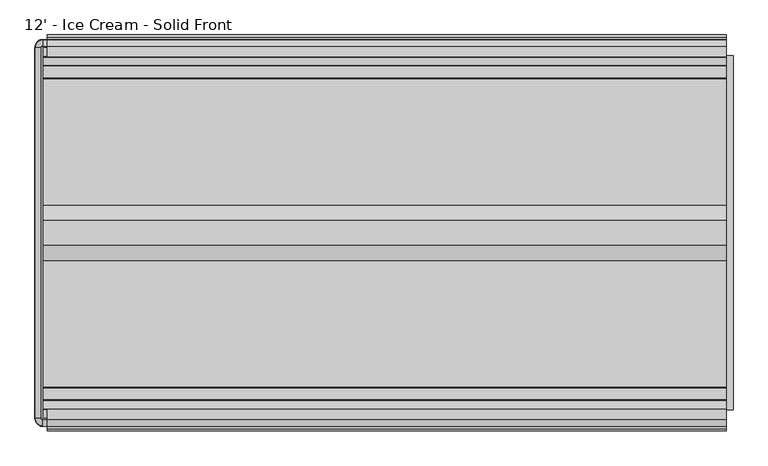
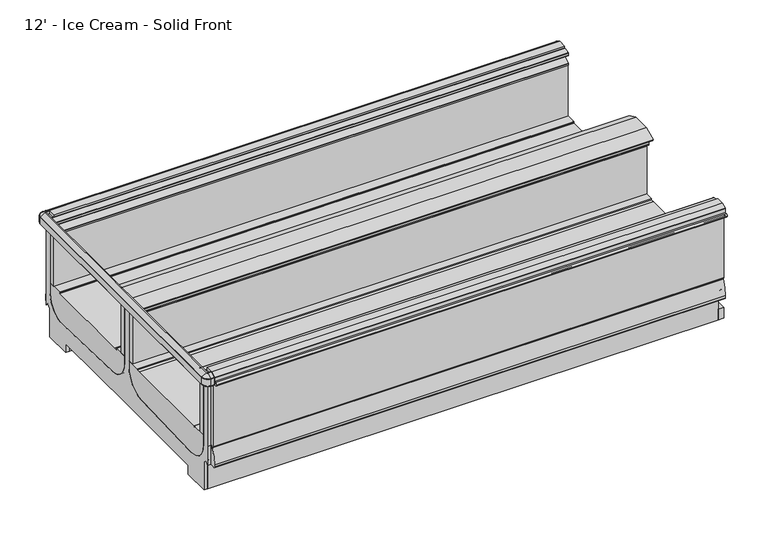
"""IFC4 building model written with IfcOpenShell, lengths in millimetres: proxy geometry, 12' - Ice Cream - Solid Front."""

from ifc_helpers import new_model, si_unit, point, frame, frame_2d, origin, origin_with_axes, place, context, project, spatial, polyline, circle_curve, ellipse_curve, trimmed, segment, composite_curve, outline, extrude, source, transform, mapped, element, save
from ifc_brep_helpers import plane_surface, cylinder_surface, revolved_surface, advanced_brep


def proxy_12_ice_cream_solid_front_a34ceeb4(model_context):
    return source(origin(), model_context, "Body", "SolidModel", [
        extrude(outline(polyline([(-2377.8829734, 0.0), (-2409.6329734, 0.0), (-2409.6329734, 218.5762254), (-2377.8829734, 192.0044611), (-2377.8829734, 0.0)])), frame((0.0, 0.0, 0.0), z_axis=(1.0, 0.0, 0.0), x_axis=(0.0, 1.0, 0.0)), (0.0, 0.0, 1.0), 3657.6),
        extrude(outline(polyline([(3594.1, -582.4839273), (3370.4400723, -582.4839273), (3370.4400723, -531.6839273), (3594.1, -531.6839273), (3594.1, -582.4839273)])), frame((0.0, 0.0, -6.35), z_axis=(0.0, 0.0, 1.0), x_axis=(1.0, 0.0, 0.0)), (0.0, 0.0, 1.0), 6.35),
        extrude(outline(composite_curve([segment(trimmed(circle_curve(frame_2d((3454.4, -557.0839273)), 15.875), [point((3438.525, -557.0839273))], [point((3470.275, -557.0839273))], False, "CARTESIAN"), True, "CONTINUOUS"), segment(trimmed(circle_curve(frame_2d((3454.4, -557.0839273)), 15.875), [point((3470.275, -557.0839273))], [point((3438.525, -557.0839273))], False, "CARTESIAN"), True, "CONTINUOUS")], self_intersect=False)), frame((0.0, 0.0, -6.35), z_axis=(0.0, 0.0, 1.0), x_axis=(1.0, 0.0, 0.0)), (0.0, 0.0, 1.0), 6.35),
        extrude(outline(composite_curve([segment(trimmed(circle_curve(frame_2d((3505.2, -557.0839273)), 15.875), [point((3489.325, -557.0839273))], [point((3521.075, -557.0839273))], False, "CARTESIAN"), True, "CONTINUOUS"), segment(trimmed(circle_curve(frame_2d((3505.2, -557.0839273)), 15.875), [point((3521.075, -557.0839273))], [point((3489.325, -557.0839273))], False, "CARTESIAN"), True, "CONTINUOUS")], self_intersect=False)), frame((0.0, 0.0, -6.35), z_axis=(0.0, 0.0, 1.0), x_axis=(1.0, 0.0, 0.0)), (0.0, 0.0, 1.0), 6.35),
        extrude(outline(composite_curve([segment(trimmed(circle_curve(frame_2d((3556.0, -557.0839273)), 15.875), [point((3540.125, -557.0839273))], [point((3571.875, -557.0839273))], False, "CARTESIAN"), True, "CONTINUOUS"), segment(trimmed(circle_curve(frame_2d((3556.0, -557.0839273)), 15.875), [point((3571.875, -557.0839273))], [point((3540.125, -557.0839273))], False, "CARTESIAN"), True, "CONTINUOUS")], self_intersect=False)), frame((0.0, 0.0, -6.35), z_axis=(0.0, 0.0, 1.0), x_axis=(1.0, 0.0, 0.0)), (0.0, 0.0, 1.0), 6.35),
        extrude(outline(composite_curve([segment(trimmed(circle_curve(frame_2d((3403.6, -557.0839273)), 15.875), [point((3387.725, -557.0839273))], [point((3419.475, -557.0839273))], False, "CARTESIAN"), True, "CONTINUOUS"), segment(trimmed(circle_curve(frame_2d((3403.6, -557.0839273)), 15.875), [point((3419.475, -557.0839273))], [point((3387.725, -557.0839273))], False, "CARTESIAN"), True, "CONTINUOUS")], self_intersect=False)), frame((0.0, 0.0, -6.35), z_axis=(0.0, 0.0, 1.0), x_axis=(1.0, 0.0, 0.0)), (0.0, 0.0, 1.0), 6.35),
        extrude(outline(composite_curve([segment(trimmed(circle_curve(frame_2d((203.2, -2350.9589273)), 15.875), [point((219.075, -2350.9589273))], [point((187.325, -2350.9589273))], False, "CARTESIAN"), True, "CONTINUOUS"), segment(trimmed(circle_curve(frame_2d((203.2, -2350.9589273)), 15.875), [point((187.325, -2350.9589273))], [point((219.075, -2350.9589273))], False, "CARTESIAN"), True, "CONTINUOUS")], self_intersect=False)), frame((0.0, 0.0, -6.35), z_axis=(0.0, 0.0, 1.0), x_axis=(1.0, 0.0, 0.0)), (0.0, 0.0, 1.0), 6.35),
        extrude(outline(composite_curve([segment(trimmed(circle_curve(frame_2d((152.4, -2350.9589273)), 15.875), [point((168.275, -2350.9589273))], [point((136.525, -2350.9589273))], False, "CARTESIAN"), True, "CONTINUOUS"), segment(trimmed(circle_curve(frame_2d((152.4, -2350.9589273)), 15.875), [point((136.525, -2350.9589273))], [point((168.275, -2350.9589273))], False, "CARTESIAN"), True, "CONTINUOUS")], self_intersect=False)), frame((0.0, 0.0, -6.35), z_axis=(0.0, 0.0, 1.0), x_axis=(1.0, 0.0, 0.0)), (0.0, 0.0, 1.0), 6.35),
        extrude(outline(composite_curve([segment(trimmed(circle_curve(frame_2d((254.0, -2350.9589273)), 15.875), [point((269.875, -2350.9589273))], [point((238.125, -2350.9589273))], False, "CARTESIAN"), True, "CONTINUOUS"), segment(trimmed(circle_curve(frame_2d((254.0, -2350.9589273)), 15.875), [point((238.125, -2350.9589273))], [point((269.875, -2350.9589273))], False, "CARTESIAN"), True, "CONTINUOUS")], self_intersect=False)), frame((0.0, 0.0, -6.35), z_axis=(0.0, 0.0, 1.0), x_axis=(1.0, 0.0, 0.0)), (0.0, 0.0, 1.0), 6.35),
        extrude(outline(composite_curve([segment(trimmed(circle_curve(frame_2d((101.6, -2350.9589273)), 15.875), [point((117.475, -2350.9589273))], [point((85.725, -2350.9589273))], False, "CARTESIAN"), True, "CONTINUOUS"), segment(trimmed(circle_curve(frame_2d((101.6, -2350.9589273)), 15.875), [point((85.725, -2350.9589273))], [point((117.475, -2350.9589273))], False, "CARTESIAN"), True, "CONTINUOUS")], self_intersect=False)), frame((0.0, 0.0, -6.35), z_axis=(0.0, 0.0, 1.0), x_axis=(1.0, 0.0, 0.0)), (0.0, 0.0, 1.0), 6.35),
        extrude(outline(polyline([(69.85, -2325.5589273), (289.1439539, -2325.5589273), (289.1439539, -2376.3589273), (69.85, -2376.3589273), (69.85, -2325.5589273)])), frame((0.0, 0.0, -6.35), z_axis=(0.0, 0.0, 1.0), x_axis=(1.0, 0.0, 0.0)), (0.0, 0.0, 1.0), 6.35),
        extrude(outline(composite_curve([segment(polyline([(-445.8191812, 916.3995638), (-411.9355812, 896.8368583)]), True, "CONTINUOUS"), segment(trimmed(circle_curve(frame_2d((-412.9769812, 895.0331005)), 2.0828), [point((-411.9355812, 896.8368583))], [point((-410.8941812, 895.0331005))], False, "CARTESIAN"), True, "CONTINUOUS"), segment(polyline([(-410.8941812, 895.0331005), (-410.8941812, 842.2823638)]), True, "CONTINUOUS"), segment(trimmed(circle_curve(frame_2d((-412.9769812, 842.2823638)), 2.0828), [point((-410.8941812, 842.2823638))], [point((-412.9769812, 840.1995638))], False, "CARTESIAN"), True, "CONTINUOUS"), segment(polyline([(-412.9769812, 840.1995638), (-453.2686576, 840.1995638), (-453.2686576, 896.9698692), (-502.6537801, 896.9698692), (-502.6537801, 916.3995638), (-445.8191812, 916.3995638)]), True, "CONTINUOUS")], self_intersect=False)), frame((0.0, 0.0, 0.0), z_axis=(1.0, 0.0, 0.0), x_axis=(0.0, 1.0, 0.0)), (0.0, 0.0, 1.0), 3657.6),
        extrude(outline(composite_curve([segment(polyline([(-2462.2236734, 916.3995638), (-2405.3883698, 916.3995638), (-2405.3883698, 896.9698692), (-2454.774197, 896.9698692), (-2454.774197, 840.1995638), (-2495.0658734, 840.1995638)]), True, "CONTINUOUS"), segment(trimmed(circle_curve(frame_2d((-2495.0658734, 842.2823638)), 2.0828), [point((-2495.0658734, 840.1995638))], [point((-2497.1486734, 842.2823638))], False, "CARTESIAN"), True, "CONTINUOUS"), segment(polyline([(-2497.1486734, 842.2823638), (-2497.1486734, 895.0331005)]), True, "CONTINUOUS"), segment(trimmed(circle_curve(frame_2d((-2495.0658734, 895.0331005)), 2.0828), [point((-2497.1486734, 895.0331005))], [point((-2496.1072734, 896.8368583))], False, "CARTESIAN"), True, "CONTINUOUS"), segment(polyline([(-2496.1072734, 896.8368583), (-2462.2236734, 916.3995638)]), True, "CONTINUOUS")], self_intersect=False)), frame((0.0, 0.0, 0.0), z_axis=(1.0, 0.0, 0.0), x_axis=(0.0, 1.0, 0.0)), (0.0, 0.0, 1.0), 3657.6),
        extrude(outline(polyline([(3695.7, -498.4098812), (3695.7, -2409.6329734), (3657.6, -2409.6329734), (3657.6, -498.4098812), (3695.7, -498.4098812)])), origin_with_axes(), (0.0, 0.0, 1.0), 80.0346764),
        extrude(outline(composite_curve([segment(polyline([(-2454.774197, 212.6925638), (-2484.436449, 212.6925638), (-2484.436449, 210.1525638), (-2489.3644531, 210.1525638)]), True, "CONTINUOUS"), segment(trimmed(circle_curve(frame_2d((-2489.3644531, 218.3404259)), 8.1878621), [point((-2489.3644531, 210.1525638))], [point((-2497.5523152, 218.3404259))], False, "CARTESIAN"), True, "CONTINUOUS"), segment(polyline([(-2497.5523152, 218.3404259), (-2497.5523152, 235.3283913)]), True, "CONTINUOUS"), segment(trimmed(circle_curve(frame_2d((-2218.2798369, 226.8878416)), 279.4), [point((-2497.5523152, 235.3283913))], [point((-2470.719945, 346.6306987))], False, "CARTESIAN"), True, "CONTINUOUS"), segment(trimmed(circle_curve(frame_2d((-2459.2453946, 341.1878416)), 12.7), [point((-2470.719945, 346.6306987))], [point((-2459.036449, 353.8861226))], False, "CARTESIAN"), True, "CONTINUOUS"), segment(polyline([(-2459.036449, 353.8861226), (-2459.036449, 358.1075638), (-2454.774197, 358.1075638), (-2454.774197, 212.6925638)]), True, "CONTINUOUS")], self_intersect=False)), frame((0.0, 0.0, 0.0), z_axis=(1.0, 0.0, 0.0), x_axis=(0.0, 1.0, 0.0)), (0.0, 0.0, 1.0), 3657.6),
        extrude(outline(composite_curve([segment(polyline([(-453.2686576, 212.6925638), (-453.2686576, 358.1075638), (-449.0064056, 358.1075638), (-449.0064056, 353.8878416), (-439.8158479, 353.8878416)]), True, "CONTINUOUS"), segment(trimmed(circle_curve(frame_2d((-439.8158479, 341.1878416)), 12.7), [point((-439.8158479, 353.8878416))], [point((-428.3412975, 346.6306987))], False, "CARTESIAN"), True, "CONTINUOUS"), segment(trimmed(circle_curve(frame_2d((-680.7814056, 226.8878416)), 279.4), [point((-428.3412975, 346.6306987))], [point((-401.5089273, 235.3283913))], False, "CARTESIAN"), True, "CONTINUOUS"), segment(polyline([(-401.5089273, 235.3283913), (-401.5089273, 218.3404259)]), True, "CONTINUOUS"), segment(trimmed(circle_curve(frame_2d((-409.6967894, 218.3404259)), 8.1878621), [point((-401.5089273, 218.3404259))], [point((-409.6967894, 210.1525638))], False, "CARTESIAN"), True, "CONTINUOUS"), segment(polyline([(-409.6967894, 210.1525638), (-423.6064056, 210.1525638), (-423.6064056, 212.6925638), (-453.2686576, 212.6925638)]), True, "CONTINUOUS")], self_intersect=False)), frame((0.0, 0.0, 0.0), z_axis=(1.0, 0.0, 0.0), x_axis=(0.0, 1.0, 0.0)), (0.0, 0.0, 1.0), 3657.6),
        advanced_brep(
        [(-24.4402697, -2454.774197, 897.0258043), (-24.4402697, -2405.4351648, 897.0258043), (-24.4402697, -2405.4351648, 329.8307252), (-24.4402697, -2245.5061532, 189.514106), (-24.4402697, -1631.4536419, 211.922149), (-24.4402697, -1480.7855206, 364.3123081), (-24.4402697, -1480.7848159, 866.4774073), (-24.4402697, -1427.2580387, 866.4774073), (-24.4402697, -1427.2580387, 364.3123081), (-24.4402697, -1276.5892127, 211.922149), (-24.4402697, -662.5367014, 189.514106), (-24.4402697, -502.6076898, 329.8307252), (-24.4402697, -502.6076898, 413.6025156), (-24.4402697, -502.6076898, 897.0258043), (-24.4402697, -453.2686576, 897.0258043), (-24.4402697, -453.2686576, 358.1075638), (-24.4402697, -453.2686576, 212.7617767), (-24.4402697, -472.9537484, 236.2215544), (-24.4402697, -498.4098812, 214.8613228), (-24.4402697, -498.4098812, 0.0), (-24.4402697, -694.8002747, 0.0), (-24.4402697, -694.8001069, 67.8833987), (-24.4402697, -1454.0214273, 67.8834387), (-24.4402697, -2213.2427477, 67.8833987), (-24.4402697, -2213.2425799, 0.0), (-24.4402697, -2409.6329734, 0.0), (-24.4402697, -2409.6329734, 214.8613228), (-24.4402697, -2435.0891062, 236.2215544), (-24.4402697, -2454.774197, 212.7617767), (-24.4402697, -2454.774197, 358.1075638), (0.0, -2454.774197, 897.0258043), (0.0, -2454.774197, 358.1075638), (0.0, -2454.774197, 212.7617767), (0.0, -2435.0891062, 236.2215544), (0.0, -2409.6329734, 214.8613228), (0.0, -2409.6329734, 0.0), (0.0, -2213.2425799, 0.0), (0.0, -2213.2427477, 67.8833987), (0.0, -1454.0214273, 67.8834387), (0.0, -694.8001069, 67.8833987), (0.0, -694.8002747, 0.0), (0.0, -498.4098812, 0.0), (0.0, -498.4098812, 214.8613228), (0.0, -472.9537484, 236.2215544), (0.0, -453.2686576, 212.7617767), (0.0, -453.2686576, 358.1075638), (0.0, -453.2686576, 897.0258043), (0.0, -502.6076898, 897.0258043), (0.0, -502.6076898, 413.6025156), (0.0, -502.6076898, 329.8307252), (0.0, -662.5367014, 189.514106), (0.0, -1276.5892127, 211.922149), (0.0, -1427.257334, 364.3123081), (0.0, -1427.2580387, 866.4774073), (0.0, -1480.7848159, 866.4774073), (0.0, -1480.7848159, 364.3123081), (0.0, -1631.4536419, 211.922149), (0.0, -2245.5061532, 189.514106), (0.0, -2405.4351648, 329.8307252), (0.0, -2405.4351648, 897.0258043)],
        [
            (0, 1),
            (1, 2),
            (2, 3, circle_curve(frame((-24.4402697, -2254.7995855, 340.2213556), z_axis=(1.0, 0.0, 0.0), x_axis=(0.0, 1.0, 0.0)), 150.9935196)),
            (3, 4, circle_curve(frame((-24.4402697, -1492.4045203, -12023.1831731), z_axis=(-1.0, 0.0, 0.0), x_axis=(0.0, 1.0, 0.0)), 12235.8954271)),
            (4, 5, circle_curve(frame((-24.4402697, -1633.1855206, 364.3123081), z_axis=(1.0, 0.0, 0.0), x_axis=(0.0, 1.0, 0.0)), 152.4)),
            (5, 6),
            (6, 7),
            (7, 8),
            (8, 9, circle_curve(frame((-24.4402697, -1274.857334, 364.3123081), z_axis=(1.0, 0.0, 0.0), x_axis=(0.0, 1.0, 0.0)), 152.4)),
            (9, 10, circle_curve(frame((-24.4402697, -1415.6383343, -12023.1831731), z_axis=(-1.0, 0.0, 0.0), x_axis=(0.0, 1.0, 0.0)), 12235.8954271)),
            (10, 11, circle_curve(frame((-24.4402697, -653.2432691, 340.2213556), z_axis=(1.0, 0.0, 0.0), x_axis=(0.0, 1.0, 0.0)), 150.9935196)),
            (11, 12),
            (12, 13),
            (13, 14),
            (14, 15),
            (15, 16),
            (16, 17),
            (17, 18),
            (18, 19),
            (19, 20),
            (20, 21),
            (21, 22),
            (22, 23),
            (23, 24),
            (24, 25),
            (25, 26),
            (26, 27),
            (27, 28),
            (28, 29),
            (29, 0),
            (30, 31),
            (31, 32),
            (32, 33),
            (33, 34),
            (34, 35),
            (35, 36),
            (36, 37),
            (37, 38),
            (38, 39),
            (39, 40),
            (40, 41),
            (41, 42),
            (42, 43),
            (43, 44),
            (44, 45),
            (45, 46),
            (46, 47),
            (47, 48),
            (48, 49),
            (49, 50, circle_curve(frame((0.0, -653.2432691, 340.2213556), z_axis=(-1.0, 0.0, 0.0), x_axis=(0.0, 1.0, 0.0)), 150.9935196)),
            (50, 51, circle_curve(frame((0.0, -1415.6383343, -12023.1831731), z_axis=(1.0, 0.0, 0.0), x_axis=(0.0, 1.0, 0.0)), 12235.8954271)),
            (51, 52, circle_curve(frame((0.0, -1274.857334, 364.3123081), z_axis=(-1.0, 0.0, 0.0), x_axis=(0.0, 1.0, 0.0)), 152.4)),
            (52, 53),
            (53, 54),
            (54, 55),
            (55, 56, circle_curve(frame((0.0, -1633.1855206, 364.3123081), z_axis=(-1.0, 0.0, 0.0), x_axis=(0.0, 1.0, 0.0)), 152.4)),
            (56, 57, circle_curve(frame((0.0, -1492.4045203, -12023.1831731), z_axis=(1.0, 0.0, 0.0), x_axis=(0.0, 1.0, 0.0)), 12235.8954271)),
            (57, 58, circle_curve(frame((0.0, -2254.7995855, 340.2213556), z_axis=(-1.0, 0.0, 0.0), x_axis=(0.0, 1.0, 0.0)), 150.9935196)),
            (58, 59),
            (59, 30),
            (59, 1),
            (0, 30),
            (29, 31),
            (28, 32),
            (45, 15),
            (14, 46),
            (13, 47),
            (42, 18),
            (17, 43),
            (16, 44),
            (27, 33),
            (26, 34),
            (12, 48),
            (11, 49),
            (10, 50),
            (9, 51),
            (8, 52),
            (7, 53),
            (6, 54),
            (5, 55),
            (4, 56),
            (3, 57),
            (2, 58),
            (25, 35),
            (24, 36),
            (23, 37),
            (22, 38),
            (21, 39),
            (20, 40),
            (19, 41),
        ],
        [
            plane_surface(frame((-24.4402697, -2454.774197, 358.1075638), z_axis=(-1.0, 0.0, 0.0), x_axis=(0.0, 0.0, 1.0))),
            plane_surface(frame((0.0, -2454.774197, 358.1075638), z_axis=(1.0, 0.0, 0.0), x_axis=(0.0, 0.0, -1.0))),
            plane_surface(frame((0.0, -2405.4351648, 897.0258043), z_axis=(0.0, 0.0, 1.0), x_axis=(-1.0, 0.0, 0.0))),
            plane_surface(frame((0.0, -2454.774197, 897.0258043), z_axis=(0.0, -1.0, 0.0), x_axis=(-1.0, 0.0, 0.0))),
            plane_surface(frame((0.0, -2454.774197, 358.1075638), z_axis=(0.0, -1.0, 0.0), x_axis=(-1.0, 0.0, 0.0))),
            plane_surface(frame((0.0, -453.2686576, 358.1075638), z_axis=(0.0, 1.0, 0.0), x_axis=(-1.0, 0.0, 0.0))),
            plane_surface(frame((0.0, -453.2686576, 897.0258043), z_axis=(0.0, 0.0, 1.0), x_axis=(-1.0, 0.0, 0.0))),
            plane_surface(frame((0.0, -498.4098812, 214.8613228), z_axis=(0.0, 0.6427876097064538, -0.7660444431022678), x_axis=(-1.0, 0.0, 0.0))),
            plane_surface(frame((0.0, -472.9537484, 236.2215544), z_axis=(0.0, -0.7660444431084633, -0.6427876096990705), x_axis=(-1.0, 0.0, 0.0))),
            plane_surface(frame((0.0, -453.2686576, 212.7617767), z_axis=(0.0, 1.0, 3.1216682375061996e-12), x_axis=(-1.0, 0.0, 0.0))),
            plane_surface(frame((0.0, -2454.774197, 212.7617767), z_axis=(0.0, 0.7660444431333294, -0.6427876096694362), x_axis=(-1.0, 0.0, 0.0))),
            plane_surface(frame((0.0, -2435.0891062, 236.2215544), z_axis=(0.0, -0.6427876097190367, -0.7660444430917096), x_axis=(-1.0, 0.0, 0.0))),
            plane_surface(frame((0.0, -502.6076898, 897.0258043), z_axis=(0.0, -1.0, 0.0), x_axis=(-1.0, 0.0, 0.0))),
            plane_surface(frame((0.0, -502.6076898, 413.6025156), z_axis=(0.0, -1.0, 0.0), x_axis=(-1.0, 0.0, 0.0))),
            revolved_surface(polyline([(-24.4402697, -502.2497495, 340.2213556), (0.0, -502.2497495, 340.2213556)]), (-24.4402697, -653.2432691, 340.2213556), (-1.0, 0.0, 0.0)),
            cylinder_surface(frame((-24.4402697, -1415.6383343, -12023.1831731), z_axis=(1.0, 0.0, 0.0), x_axis=(0.0, 1.0, 0.0)), 12235.8954271),
            revolved_surface(polyline([(-24.4402697, -1122.457334, 364.3123081), (0.0, -1122.457334, 364.3123081)]), (-24.4402697, -1274.857334, 364.3123081), (-1.0, 0.0, 0.0)),
            plane_surface(frame((0.0, -1427.2580387, 364.3123081), z_axis=(0.0, 1.0, 0.0), x_axis=(-1.0, 0.0, 0.0))),
            plane_surface(frame((0.0, -1427.2580387, 866.4774073), z_axis=(0.0, 0.0, 1.0), x_axis=(-1.0, 0.0, 0.0))),
            plane_surface(frame((0.0, -1480.7848159, 866.4774073), z_axis=(0.0, -1.0, 0.0), x_axis=(-1.0, 0.0, 0.0))),
            revolved_surface(polyline([(-24.4402697, -1480.7855206, 364.3123081), (0.0, -1480.7855206, 364.3123081)]), (-24.4402697, -1633.1855206, 364.3123081), (-1.0, 0.0, 0.0)),
            cylinder_surface(frame((-24.4402697, -1492.4045203, -12023.1831731), z_axis=(1.0, 0.0, 0.0), x_axis=(0.0, 1.0, 0.0)), 12235.8954271),
            revolved_surface(polyline([(-24.4402697, -2103.8060659, 340.2213556), (0.0, -2103.8060659, 340.2213556)]), (-24.4402697, -2254.7995855, 340.2213556), (-1.0, 0.0, 0.0)),
            plane_surface(frame((0.0, -2405.4351648, 329.8307252), z_axis=(0.0, 1.0, 0.0), x_axis=(-1.0, 0.0, 0.0))),
            plane_surface(frame((0.0, -2409.6329734, 214.8613228), z_axis=(0.0, -1.0, 0.0), x_axis=(-1.0, 0.0, 0.0))),
            plane_surface(frame((0.0, -2409.6329734, 0.0), z_axis=(0.0, 0.0, -1.0), x_axis=(-1.0, 0.0, 0.0))),
            plane_surface(frame((0.0, -2213.2425799, 0.0), z_axis=(0.0, 0.9999999999969436, 2.472444991820878e-06), x_axis=(-1.0, 0.0, 0.0))),
            plane_surface(frame((0.0, -2213.2427477, 67.8833987), z_axis=(0.0, 5.271826472873997e-08, -0.9999999999999987), x_axis=(-1.0, 0.0, 0.0))),
            plane_surface(frame((0.0, -1454.0214273, 67.8834387), z_axis=(0.0, -5.271826471759711e-08, -0.9999999999999987), x_axis=(-1.0, 0.0, 0.0))),
            plane_surface(frame((0.0, -694.8001069, 67.8833987), z_axis=(0.0, -0.9999999999969436, 2.472444991820454e-06), x_axis=(-1.0, 0.0, 0.0))),
            plane_surface(frame((0.0, -694.8002747, 0.0), z_axis=(0.0, 0.0, -1.0), x_axis=(-1.0, 0.0, 0.0))),
            plane_surface(frame((0.0, -498.4098812, 0.0), z_axis=(0.0, 1.0, 0.0), x_axis=(-1.0, 0.0, 0.0))),
        ],
        [
            (0, [[1, 2, 3, 4, 5, 6, 7, 8, 9, 10, 11, 12, 13, 14, 15, 16, 17, 18, 19, 20, 21, 22, 23, 24, 25, 26, 27, 28, 29, 30]]),
            (1, [[31, 32, 33, 34, 35, 36, 37, 38, 39, 40, 41, 42, 43, 44, 45, 46, 47, 48, 49, 50, 51, 52, 53, 54, 55, 56, 57, 58, 59, 60]]),
            (2, [[-60, 61, -1, 62]]),
            (3, [[-31, -62, -30, 63]]),
            (4, [[-32, -63, -29, 64]]),
            (5, [[-46, 65, -15, 66]]),
            (6, [[-47, -66, -14, 67]]),
            (7, [[-43, 68, -18, 69]]),
            (8, [[-44, -69, -17, 70]]),
            (9, [[-45, -70, -16, -65]]),
            (10, [[-33, -64, -28, 71]]),
            (11, [[-34, -71, -27, 72]]),
            (12, [[-48, -67, -13, 73]]),
            (13, [[-49, -73, -12, 74]]),
            (14, [[-50, -74, -11, 75]]),
            (15, [[-51, -75, -10, 76]]),
            (16, [[-52, -76, -9, 77]]),
            (17, [[-53, -77, -8, 78]]),
            (18, [[-54, -78, -7, 79]]),
            (19, [[-55, -79, -6, 80]]),
            (20, [[-56, -80, -5, 81]]),
            (21, [[-57, -81, -4, 82]]),
            (22, [[-58, -82, -3, 83]]),
            (23, [[-59, -83, -2, -61]]),
            (24, [[-35, -72, -26, 84]]),
            (25, [[-36, -84, -25, 85]]),
            (26, [[-37, -85, -24, 86]]),
            (27, [[-38, -86, -23, 87]]),
            (28, [[-39, -87, -22, 88]]),
            (29, [[-40, -88, -21, 89]]),
            (30, [[-41, -89, -20, 90]]),
            (31, [[-42, -90, -19, -68]]),
        ],
    ),
        extrude(outline(polyline([(-2247.3548736, 0.0), (-2409.6329734, 0.0), (-2409.6329734, 214.8613228), (-2435.0891062, 236.2215544), (-2454.774197, 212.7617767), (-2454.774197, 256.3551845), (-2304.8796168, 130.9075167), (-2247.3551153, 130.9023907), (-2247.3548736, 0.0)])), frame((0.0, 0.0, 0.0), z_axis=(1.0, 0.0, 0.0), x_axis=(0.0, 1.0, 0.0)), (0.0, 0.0, 1.0), 3657.6),
        extrude(outline(polyline([(-660.687981, 0.0), (-660.6877393, 130.9023907), (-603.1632378, 130.9075167), (-498.4098812, 218.5762254), (-498.4098812, 0.0), (-660.687981, 0.0)])), frame((0.0, 0.0, 0.0), z_axis=(1.0, 0.0, 0.0), x_axis=(0.0, 1.0, 0.0)), (0.0, 0.0, 1.0), 3657.6),
        extrude(outline(composite_curve([segment(polyline([(-453.2686576, 840.1995638), (-429.7663812, 840.1995638), (-429.7663812, 359.6315638)]), True, "CONTINUOUS"), segment(trimmed(circle_curve(frame_2d((-431.2903812, 359.6315638)), 1.524), [point((-429.7663812, 359.6315638))], [point((-431.2903812, 358.1075638))], False, "CARTESIAN"), True, "CONTINUOUS"), segment(polyline([(-431.2903812, 358.1075638), (-453.2686576, 358.1075638), (-453.2686576, 840.1995638)]), True, "CONTINUOUS")], self_intersect=False)), frame((0.0, 0.0, 0.0), z_axis=(1.0, 0.0, 0.0), x_axis=(0.0, 1.0, 0.0)), (0.0, 0.0, 1.0), 3657.6),
        extrude(outline(composite_curve([segment(polyline([(-2454.774197, 840.1995638), (-2454.774197, 358.1075638), (-2476.7524734, 358.1075638)]), True, "CONTINUOUS"), segment(trimmed(circle_curve(frame_2d((-2476.7524734, 359.6315638)), 1.524), [point((-2476.7524734, 358.1075638))], [point((-2478.2764734, 359.6315638))], False, "CARTESIAN"), True, "CONTINUOUS"), segment(polyline([(-2478.2764734, 359.6315638), (-2478.2764734, 840.1995638), (-2454.774197, 840.1995638)]), True, "CONTINUOUS")], self_intersect=False)), frame((0.0, 0.0, 0.0), z_axis=(1.0, 0.0, 0.0), x_axis=(0.0, 1.0, 0.0)), (0.0, 0.0, 1.0), 3657.6),
        extrude(outline(composite_curve([segment(polyline([(-2497.1486734, 866.4774073), (-2497.1486734, 841.0774073), (-2509.5631602, 841.0774073)]), True, "CONTINUOUS"), segment(trimmed(circle_curve(frame_2d((-2509.5631602, 853.7774073)), 12.7), [point((-2509.5631602, 841.0774073))], [point((-2522.2631602, 853.7774073))], False, "CARTESIAN"), True, "CONTINUOUS"), segment(trimmed(circle_curve(frame_2d((-2509.5631602, 853.7774073)), 12.7), [point((-2522.2631602, 853.7774073))], [point((-2509.5631602, 866.4774073))], False, "CARTESIAN"), True, "CONTINUOUS"), segment(polyline([(-2509.5631602, 866.4774073), (-2497.1486734, 866.4774073)]), True, "CONTINUOUS")], self_intersect=False)), frame((0.0, 0.0, 0.0), z_axis=(1.0, 0.0, 0.0), x_axis=(0.0, 1.0, 0.0)), (0.0, 0.0, 1.0), 3657.6),
        extrude(outline(composite_curve([segment(polyline([(-410.8941812, 866.4774073), (-398.4796944, 866.4774073)]), True, "CONTINUOUS"), segment(trimmed(circle_curve(frame_2d((-398.4796944, 853.7774073)), 12.7), [point((-398.4796944, 866.4774073))], [point((-385.7796944, 853.7774073))], False, "CARTESIAN"), True, "CONTINUOUS"), segment(trimmed(circle_curve(frame_2d((-398.4796944, 853.7774073)), 12.7), [point((-385.7796944, 853.7774073))], [point((-398.4796944, 841.0774073))], False, "CARTESIAN"), True, "CONTINUOUS"), segment(polyline([(-398.4796944, 841.0774073), (-410.8941812, 841.0774073), (-410.8941812, 866.4774073)]), True, "CONTINUOUS")], self_intersect=False)), frame((0.0, 0.0, 0.0), z_axis=(1.0, 0.0, 0.0), x_axis=(0.0, 1.0, 0.0)), (0.0, 0.0, 1.0), 3657.6),
        extrude(outline(polyline([(3657.6, -1527.311562), (3657.6, -1549.536562), (0.0, -1549.536562), (0.0, -1527.311562), (3657.6, -1527.311562)])), frame((0.0, 0.0, 802.4445616), z_axis=(0.0, 0.0, 1.0), x_axis=(1.0, 0.0, 0.0)), (0.0, 0.0, 1.0), 76.2),
        extrude(outline(polyline([(3657.6, -1358.5062926), (3657.6, -1380.7312926), (0.0, -1380.7312926), (0.0, -1358.5062926), (3657.6, -1358.5062926)])), frame((0.0, 0.0, 802.4445616), z_axis=(0.0, 0.0, 1.0), x_axis=(1.0, 0.0, 0.0)), (0.0, 0.0, 1.0), 76.2),
        extrude(outline(composite_curve([segment(polyline([(-1551.071886, 800.8570616), (-1551.071886, 808.7945616), (-1549.536562, 808.7945616), (-1549.536562, 802.4445616), (-1527.311562, 802.4445616), (-1527.311562, 866.3043859), (-1480.7848159, 866.3043859), (-1480.7848159, 415.2220813), (-1522.6087322, 415.2325275), (-1522.6087322, 775.2893206)]), True, "CONTINUOUS"), segment(trimmed(circle_curve(frame_2d((-1522.2729918, 776.2117598)), 0.9816393), [point((-1522.6087322, 775.2893206))], [point((-1523.2546312, 776.2117598))], False, "CARTESIAN"), True, "CONTINUOUS"), segment(polyline([(-1523.2546312, 776.2117598), (-1523.2546312, 800.8570616), (-1551.071886, 800.8570616)]), True, "CONTINUOUS")], self_intersect=False)), frame((-24.4402697, 0.0, 0.0), z_axis=(1.0, 0.0, 0.0), x_axis=(0.0, 1.0, 0.0)), (0.0, 0.0, 1.0), 3682.0402697),
        extrude(outline(composite_curve([segment(polyline([(-1356.9709686, 800.8570616), (-1384.7882234, 800.8570616), (-1384.7882234, 776.2117598)]), True, "CONTINUOUS"), segment(trimmed(circle_curve(frame_2d((-1385.7698628, 776.2117598)), 0.9816393), [point((-1384.7882234, 776.2117598))], [point((-1385.4341224, 775.2893206))], False, "CARTESIAN"), True, "CONTINUOUS"), segment(polyline([(-1385.4341224, 775.2893206), (-1385.4341224, 415.2325275), (-1427.2580387, 415.2220813), (-1427.2580387, 866.3043859), (-1380.7312926, 866.3043859), (-1380.7312926, 802.4445616), (-1358.5062926, 802.4445616), (-1358.5062926, 808.7945616), (-1356.9709686, 808.7945616), (-1356.9709686, 800.8570616)]), True, "CONTINUOUS")], self_intersect=False)), frame((-24.4402697, 0.0, 0.0), z_axis=(1.0, 0.0, 0.0), x_axis=(0.0, 1.0, 0.0)), (0.0, 0.0, 1.0), 3682.0402697),
        extrude(outline(polyline([(-1387.836481, 914.8138293), (-1305.5925722, 875.4929407), (-1309.5700998, 864.574991), (-1312.0395874, 864.7344073), (-1358.5062926, 864.7344073), (-1358.5062926, 878.6445616), (-1380.7312926, 878.6445616), (-1380.7312926, 866.3043859), (-1527.311562, 866.3043859), (-1527.311562, 878.6445616), (-1549.536562, 878.6445616), (-1549.536562, 864.7344073), (-1596.0032672, 864.7344073), (-1598.4727548, 864.574991), (-1602.4502824, 875.4929407), (-1520.2063736, 914.8138293), (-1387.836481, 914.8138293)])), frame((-24.4402697, 0.0, 0.0), z_axis=(1.0, 0.0, 0.0), x_axis=(0.0, 1.0, 0.0)), (0.0, 0.0, 1.0), 3682.0402697),
        extrude(outline(composite_curve([segment(polyline([(-502.6076898, 413.6025156), (-547.7105983, 413.6025156), (-547.7105983, 799.5951356), (-549.2980983, 799.5951356), (-552.5851001, 811.8623936)]), True, "CONTINUOUS"), segment(trimmed(circle_curve(frame_2d((-550.6959424, 812.3685918)), 1.9558), [point((-552.5851001, 811.8623936))], [point((-551.6738424, 814.0623643))], False, "CARTESIAN"), True, "CONTINUOUS"), segment(polyline([(-551.6738424, 814.0623643), (-507.7817983, 839.4034478)]), True, "CONTINUOUS"), segment(trimmed(circle_curve(frame_2d((-506.8038983, 837.7096753)), 1.9558), [point((-507.7817983, 839.4034478))], [point((-504.8480983, 837.7096753))], False, "CARTESIAN"), True, "CONTINUOUS"), segment(polyline([(-504.8480983, 837.7096753), (-504.8480983, 846.7803598)]), True, "CONTINUOUS"), segment(trimmed(circle_curve(frame_2d((-505.6354983, 846.7803598)), 0.7874), [point((-504.8480983, 846.7803598))], [point((-505.2464442, 847.4649295))], True, "CARTESIAN"), True, "CONTINUOUS"), segment(polyline([(-505.2464442, 847.4649295), (-550.9785754, 873.4553778)]), True, "CONTINUOUS"), segment(trimmed(circle_curve(frame_2d((-550.2255675, 874.7803514)), 1.524), [point((-550.9785754, 873.4553778))], [point((-551.7495675, 874.7803514))], False, "CARTESIAN"), True, "CONTINUOUS"), segment(polyline([(-551.7495675, 874.7803514), (-551.7495675, 892.7114623)]), True, "CONTINUOUS"), segment(trimmed(circle_curve(frame_2d((-550.2255675, 892.7114623)), 1.524), [point((-551.7495675, 892.7114623))], [point((-550.4902073, 894.2123093))], False, "CARTESIAN"), True, "CONTINUOUS"), segment(polyline([(-550.4902073, 894.2123093), (-505.4987677, 902.1455141), (-502.6076898, 902.1455141), (-502.6076898, 413.6025156)]), True, "CONTINUOUS")], self_intersect=False)), frame((-24.4402697, 0.0, 0.0), z_axis=(1.0, 0.0, 0.0), x_axis=(0.0, 1.0, 0.0)), (0.0, 0.0, 1.0), 3682.0402697),
        extrude(outline(composite_curve([segment(polyline([(-2405.4351648, 413.6025156), (-2405.4351648, 902.1455141), (-2402.5440869, 902.1455141), (-2357.5526473, 894.2123093)]), True, "CONTINUOUS"), segment(trimmed(circle_curve(frame_2d((-2357.8172871, 892.7114623)), 1.524), [point((-2357.5526473, 894.2123093))], [point((-2356.2932871, 892.7114623))], False, "CARTESIAN"), True, "CONTINUOUS"), segment(polyline([(-2356.2932871, 892.7114623), (-2356.2932871, 874.7803514)]), True, "CONTINUOUS"), segment(trimmed(circle_curve(frame_2d((-2357.8172871, 874.7803514)), 1.524), [point((-2356.2932871, 874.7803514))], [point((-2357.0642791, 873.4553778))], False, "CARTESIAN"), True, "CONTINUOUS"), segment(polyline([(-2357.0642791, 873.4553778), (-2402.7964104, 847.4649295)]), True, "CONTINUOUS"), segment(trimmed(circle_curve(frame_2d((-2402.4073563, 846.7803598)), 0.7874), [point((-2402.7964104, 847.4649295))], [point((-2403.1947563, 846.7803598))], True, "CARTESIAN"), True, "CONTINUOUS"), segment(polyline([(-2403.1947563, 846.7803598), (-2403.1947563, 837.7096753)]), True, "CONTINUOUS"), segment(trimmed(circle_curve(frame_2d((-2401.2389563, 837.7096753)), 1.9558), [point((-2403.1947563, 837.7096753))], [point((-2400.2610563, 839.4034478))], False, "CARTESIAN"), True, "CONTINUOUS"), segment(polyline([(-2400.2610563, 839.4034478), (-2356.3690122, 814.0623643)]), True, "CONTINUOUS"), segment(trimmed(circle_curve(frame_2d((-2357.3469122, 812.3685918)), 1.9558), [point((-2356.3690122, 814.0623643))], [point((-2355.4577545, 811.8623936))], False, "CARTESIAN"), True, "CONTINUOUS"), segment(polyline([(-2355.4577545, 811.8623936), (-2358.7447563, 799.5951356), (-2360.3322563, 799.5951356), (-2360.3322563, 413.6025156), (-2405.4351648, 413.6025156)]), True, "CONTINUOUS")], self_intersect=False)), frame((-24.4402697, 0.0, 0.0), z_axis=(1.0, 0.0, 0.0), x_axis=(0.0, 1.0, 0.0)), (0.0, 0.0, 1.0), 3682.0402697),
        extrude(outline(composite_curve([segment(trimmed(circle_curve(frame_2d((-653.2432691, 340.2213556)), 150.9935196), [point((-502.6076898, 329.8307252))], [point((-662.5367014, 189.514106))], False, "CARTESIAN"), True, "CONTINUOUS"), segment(trimmed(circle_curve(frame_2d((-1415.6383343, -12023.1831731)), 12235.8954271), [point((-662.5367014, 189.514106))], [point((-1276.5892127, 211.922149))], True, "CARTESIAN"), True, "CONTINUOUS"), segment(trimmed(circle_curve(frame_2d((-1274.857334, 364.3123081)), 152.4), [point((-1276.5892127, 211.922149))], [point((-1427.257334, 364.3123081))], False, "CARTESIAN"), True, "CONTINUOUS"), segment(polyline([(-1427.257334, 364.3123081), (-1427.257334, 415.2220814), (-1327.4861855, 415.247001), (-1327.4836218, 404.9827495), (-1304.411668, 404.9827495), (-621.5663814, 405.1887649)]), True, "CONTINUOUS"), segment(trimmed(circle_curve(frame_2d((-621.5666848, 406.1943748)), 1.0056099), [point((-621.5663814, 405.1887649))], [point((-620.5610749, 406.1943748))], True, "CARTESIAN"), True, "CONTINUOUS"), segment(polyline([(-620.5610749, 406.1943748), (-620.5610749, 410.7761577)]), True, "CONTINUOUS"), segment(trimmed(circle_curve(frame_2d((-617.734717, 410.7761577)), 2.8263579), [point((-620.5610749, 410.7761577))], [point((-617.734717, 413.6025156))], False, "CARTESIAN"), True, "CONTINUOUS"), segment(polyline([(-617.734717, 413.6025156), (-502.6076898, 413.6025156), (-502.6076898, 329.8307252)]), True, "CONTINUOUS")], self_intersect=False)), frame((-24.4402697, 0.0, 0.0), z_axis=(1.0, 0.0, 0.0), x_axis=(0.0, 1.0, 0.0)), (0.0, 0.0, 1.0), 3682.0402697),
        extrude(outline(composite_curve([segment(polyline([(-2405.4351648, 329.8307252), (-2405.4351648, 413.6025156), (-2290.3081376, 413.6025156)]), True, "CONTINUOUS"), segment(trimmed(circle_curve(frame_2d((-2290.3081376, 410.7761577)), 2.8263579), [point((-2290.3081376, 413.6025156))], [point((-2287.4817797, 410.7761577))], False, "CARTESIAN"), True, "CONTINUOUS"), segment(polyline([(-2287.4817797, 410.7761577), (-2287.4817797, 406.1943748)]), True, "CONTINUOUS"), segment(trimmed(circle_curve(frame_2d((-2286.4761698, 406.1943748)), 1.0056099), [point((-2287.4817797, 406.1943748))], [point((-2286.4764732, 405.1887649))], True, "CARTESIAN"), True, "CONTINUOUS"), segment(polyline([(-2286.4764732, 405.1887649), (-1603.6311866, 404.9827495), (-1580.5592328, 404.9827495), (-1580.5566691, 415.247001), (-1480.7855206, 415.2220814), (-1480.7855206, 364.3123081)]), True, "CONTINUOUS"), segment(trimmed(circle_curve(frame_2d((-1633.1855206, 364.3123081)), 152.4), [point((-1480.7855206, 364.3123081))], [point((-1631.4536419, 211.922149))], False, "CARTESIAN"), True, "CONTINUOUS"), segment(trimmed(circle_curve(frame_2d((-1492.4045203, -12023.1831731)), 12235.8954271), [point((-1631.4536419, 211.922149))], [point((-2245.5061532, 189.514106))], True, "CARTESIAN"), True, "CONTINUOUS"), segment(trimmed(circle_curve(frame_2d((-2254.7995855, 340.2213556)), 150.9935196), [point((-2245.5061532, 189.514106))], [point((-2405.4351648, 329.8307252))], False, "CARTESIAN"), True, "CONTINUOUS")], self_intersect=False)), frame((-24.4402697, 0.0, 0.0), z_axis=(1.0, 0.0, 0.0), x_axis=(0.0, 1.0, 0.0)), (0.0, 0.0, 1.0), 3682.0402697),
        extrude(outline(composite_curve([segment(polyline([(-453.2679529, 897.0258043), (-453.2679529, 256.3551845), (-603.1625331, 130.9075167), (-2304.8796168, 130.9075167), (-2454.774197, 256.3551845), (-2454.774197, 897.0258043), (-2405.4344601, 897.0258043), (-2405.4344601, 329.8307252)]), True, "CONTINUOUS"), segment(trimmed(circle_curve(frame_2d((-2254.7988808, 340.2213556)), 150.9935196), [point((-2405.4344601, 329.8307252))], [point((-2245.5054485, 189.514106))], True, "CARTESIAN"), True, "CONTINUOUS"), segment(trimmed(circle_curve(frame_2d((-1492.4038157, -12023.1831731)), 12235.8954271), [point((-2245.5054485, 189.514106))], [point((-1631.4529372, 211.922149))], False, "CARTESIAN"), True, "CONTINUOUS"), segment(trimmed(circle_curve(frame_2d((-1633.1848159, 364.3123081)), 152.4), [point((-1631.4529372, 211.922149))], [point((-1480.7848159, 364.3123081))], True, "CARTESIAN"), True, "CONTINUOUS"), segment(polyline([(-1480.7848159, 364.3123081), (-1480.7848159, 866.3043859), (-1427.257334, 866.3043859), (-1427.257334, 364.3123081)]), True, "CONTINUOUS"), segment(trimmed(circle_curve(frame_2d((-1274.857334, 364.3123081)), 152.4), [point((-1427.257334, 364.3123081))], [point((-1276.5892127, 211.922149))], True, "CARTESIAN"), True, "CONTINUOUS"), segment(trimmed(circle_curve(frame_2d((-1415.6383343, -12023.1831731)), 12235.8954271), [point((-1276.5892127, 211.922149))], [point((-662.5367014, 189.514106))], False, "CARTESIAN"), True, "CONTINUOUS"), segment(trimmed(circle_curve(frame_2d((-653.2432691, 340.2213556)), 150.9935196), [point((-662.5367014, 189.514106))], [point((-502.6076898, 329.8307252))], True, "CARTESIAN"), True, "CONTINUOUS"), segment(polyline([(-502.6076898, 329.8307252), (-502.6076898, 897.0258043), (-453.2679529, 897.0258043)]), True, "CONTINUOUS")], self_intersect=False)), frame((0.0, 0.0, 0.0), z_axis=(1.0, 0.0, 0.0), x_axis=(0.0, 1.0, 0.0)), (0.0, 0.0, 1.0), 3657.6),
        extrude(outline(polyline([(-660.687981, 0.0), (-694.8001491, 0.0), (-694.7998808, 108.5179371), (-2213.2429738, 108.517857), (-2213.2427055, 0.0), (-2247.3548736, 0.0), (-2247.3551153, 130.9023907), (-660.6877393, 130.9023907), (-660.687981, 0.0)])), frame((-24.4402697, 0.0, 0.0), z_axis=(1.0, 0.0, 0.0), x_axis=(0.0, 1.0, 0.0)), (0.0, 0.0, 1.0), 3682.0402697),
        advanced_brep(
        [(0.0, -2462.2236734, 916.3995638), (0.0, -2496.1072734, 896.8368583), (0.0, -2497.1486734, 895.0331005), (0.0, -2497.1486734, 842.2823638), (0.0, -2495.0658734, 840.1995638), (0.0, -2454.774197, 840.1995638), (0.0, -2454.774197, 916.3995638), (0.0, -445.8191812, 916.3995638), (0.0, -453.2686576, 916.3995638), (0.0, -453.2686576, 840.1995638), (0.0, -412.9769812, 840.1995638), (0.0, -410.8941812, 842.2823638), (0.0, -410.8941812, 895.0331005), (0.0, -411.9355812, 896.8368583), (-23.8125, -2462.2236734, 916.3995638), (-23.8125, -2496.1072734, 896.8368583), (-23.8125, -2497.1486734, 895.0331005), (-23.8125, -2497.1486734, 842.2823638), (-23.8125, -2495.0658734, 840.1995638), (-64.7319461, -2454.1464273, 840.1995638), (-64.7319461, -453.8964273, 840.1995638), (-23.8125, -412.9769812, 840.1995638), (-23.8125, -453.2686576, 840.1995638), (-24.4402697, -453.8964273, 840.1995638), (-24.4402697, -2454.1464273, 840.1995638), (-23.8125, -2454.774197, 840.1995638), (-23.8125, -2454.774197, 916.3995638), (-24.4402697, -2454.1464273, 916.3995638), (-24.4402697, -453.8964273, 916.3995638), (-23.8125, -453.2686576, 916.3995638), (-23.8125, -445.8191812, 916.3995638), (-31.8897461, -453.8964273, 916.3995638), (-31.8897461, -2454.1464273, 916.3995638), (-65.7733461, -2454.1464273, 896.8368583), (-66.8147461, -2454.1464273, 895.0331005), (-66.8147461, -2454.1464273, 842.2823638), (-65.7733461, -453.8964273, 896.8368583), (-66.8147461, -453.8964273, 895.0331005), (-66.8147461, -453.8964273, 842.2823638), (-23.8125, -411.9355812, 896.8368583), (-23.8125, -410.8941812, 895.0331005), (-23.8125, -410.8941812, 842.2823638)],
        [
            (0, 1),
            (1, 2, circle_curve(frame((0.0, -2495.0658734, 895.0331005), z_axis=(1.0, 0.0, 0.0), x_axis=(0.0, -1.0, 0.0)), 2.0828)),
            (2, 3),
            (3, 4, circle_curve(frame((0.0, -2495.0658734, 842.2823638), z_axis=(1.0, 0.0, 0.0), x_axis=(0.0, -1.0, 0.0)), 2.0828)),
            (4, 5),
            (5, 6),
            (6, 0),
            (7, 8),
            (8, 9),
            (9, 10),
            (10, 11, circle_curve(frame((0.0, -412.9769812, 842.2823638), z_axis=(1.0, 0.0, 0.0), x_axis=(0.0, 1.0, 0.0)), 2.0828)),
            (11, 12),
            (12, 13, circle_curve(frame((0.0, -412.9769812, 895.0331005), z_axis=(1.0, 0.0, 0.0), x_axis=(0.0, 1.0, 0.0)), 2.0828)),
            (13, 7),
            (0, 14),
            (14, 15),
            (15, 1),
            (15, 16, circle_curve(frame((-23.8125, -2495.0658734, 895.0331005), z_axis=(1.0, 0.0, 0.0), x_axis=(0.0, -1.0, 0.0)), 2.0828)),
            (16, 2),
            (16, 17),
            (17, 3),
            (17, 18, circle_curve(frame((-23.8125, -2495.0658734, 842.2823638), z_axis=(1.0, 0.0, 0.0), x_axis=(0.0, -1.0, 0.0)), 2.0828)),
            (18, 4),
            (18, 19, circle_curve(frame((-23.8125, -2454.1464273, 840.1995638), z_axis=(0.0, 0.0, -1.0), x_axis=(0.0, -1.0, 0.0)), 40.9194461)),
            (19, 20),
            (20, 21, circle_curve(frame((-23.8125, -453.8964273, 840.1995638), z_axis=(0.0, 0.0, -1.0), x_axis=(-1.0, 0.0, 0.0)), 40.9194461)),
            (21, 10),
            (9, 22),
            (22, 23, circle_curve(frame((-23.8125, -453.8964273, 840.1995638), z_axis=(0.0, 0.0, 1.0), x_axis=(-1.0, 0.0, 0.0)), 0.6277697)),
            (23, 24),
            (24, 25, circle_curve(frame((-23.8125, -2454.1464273, 840.1995638), z_axis=(0.0, 0.0, 1.0), x_axis=(0.0, -1.0, 0.0)), 0.6277697)),
            (25, 5),
            (25, 26),
            (26, 6),
            (26, 27, circle_curve(frame((-23.8125, -2454.1464273, 916.3995638), z_axis=(0.0, 0.0, -1.0), x_axis=(0.0, -1.0, 0.0)), 0.6277697)),
            (27, 28),
            (28, 29, circle_curve(frame((-23.8125, -453.8964273, 916.3995638), z_axis=(0.0, 0.0, -1.0), x_axis=(-1.0, 0.0, 0.0)), 0.6277697)),
            (29, 8),
            (7, 30),
            (30, 31, circle_curve(frame((-23.8125, -453.8964273, 916.3995638), z_axis=(0.0, 0.0, 1.0), x_axis=(-1.0, 0.0, 0.0)), 8.0772461)),
            (31, 32),
            (32, 14, circle_curve(frame((-23.8125, -2454.1464273, 916.3995638), z_axis=(0.0, 0.0, 1.0), x_axis=(0.0, -1.0, 0.0)), 8.0772461)),
            (33, 15, circle_curve(frame((-23.8125, -2454.1464273, 896.8368583), z_axis=(0.0, 0.0, 1.0), x_axis=(0.0, -1.0, 0.0)), 41.9608461)),
            (32, 33),
            (34, 16, circle_curve(frame((-23.8125, -2454.1464273, 895.0331005), z_axis=(0.0, 0.0, 1.0), x_axis=(0.0, -1.0, 0.0)), 43.0022461)),
            (33, 34, circle_curve(frame((-64.7319461, -2454.1464273, 895.0331005), z_axis=(0.0, -1.0, 0.0), x_axis=(-1.0, 0.0, 0.0)), 2.0828)),
            (35, 17, circle_curve(frame((-23.8125, -2454.1464273, 842.2823638), z_axis=(0.0, 0.0, 1.0), x_axis=(0.0, -1.0, 0.0)), 43.0022461)),
            (34, 35),
            (35, 19, circle_curve(frame((-64.7319461, -2454.1464273, 842.2823638), z_axis=(0.0, -1.0, 0.0), x_axis=(-1.0, 0.0, 0.0)), 2.0828)),
            (24, 27),
            (31, 36),
            (36, 33),
            (36, 37, circle_curve(frame((-64.7319461, -453.8964273, 895.0331005), z_axis=(0.0, -1.0, 0.0), x_axis=(-1.0, 0.0, 0.0)), 2.0828)),
            (37, 34),
            (37, 38),
            (38, 35),
            (38, 20, circle_curve(frame((-64.7319461, -453.8964273, 842.2823638), z_axis=(0.0, -1.0, 0.0), x_axis=(-1.0, 0.0, 0.0)), 2.0828)),
            (23, 28),
            (39, 36, circle_curve(frame((-23.8125, -453.8964273, 896.8368583), z_axis=(0.0, 0.0, 1.0), x_axis=(-1.0, 0.0, 0.0)), 41.9608461)),
            (30, 39),
            (40, 37, circle_curve(frame((-23.8125, -453.8964273, 895.0331005), z_axis=(0.0, 0.0, 1.0), x_axis=(-1.0, 0.0, 0.0)), 43.0022461)),
            (39, 40, circle_curve(frame((-23.8125, -412.9769812, 895.0331005), z_axis=(-1.0, 0.0, 0.0), x_axis=(0.0, 1.0, 0.0)), 2.0828)),
            (41, 38, circle_curve(frame((-23.8125, -453.8964273, 842.2823638), z_axis=(0.0, 0.0, 1.0), x_axis=(-1.0, 0.0, 0.0)), 43.0022461)),
            (40, 41),
            (41, 21, circle_curve(frame((-23.8125, -412.9769812, 842.2823638), z_axis=(-1.0, 0.0, 0.0), x_axis=(0.0, 1.0, 0.0)), 2.0828)),
            (22, 29),
            (13, 39),
            (12, 40),
            (11, 41),
        ],
        [
            plane_surface(frame((0.0, -2506.5339273, 1498.6), z_axis=(1.0, 0.0, 0.0), x_axis=(0.0, 0.0, 1.0))),
            plane_surface(frame((0.0, -401.5089273, 1498.6), z_axis=(1.0, 0.0, 0.0), x_axis=(0.0, 0.0, 1.0))),
            plane_surface(frame((0.0, -2462.2236734, 916.3995638), z_axis=(0.0, -0.4999999999872431, 0.8660254037918039), x_axis=(-1.0, 0.0, 0.0))),
            cylinder_surface(frame((0.0, -2495.0658734, 895.0331005), z_axis=(1.0, 0.0, 0.0), x_axis=(0.0, -1.0, 0.0)), 2.0828),
            plane_surface(frame((0.0, -2497.1486734, 895.0331005), z_axis=(0.0, -1.0, 0.0), x_axis=(-1.0, 0.0, 0.0))),
            cylinder_surface(frame((0.0, -2495.0658734, 842.2823638), z_axis=(1.0, 0.0, 0.0), x_axis=(0.0, -1.0, 0.0)), 2.0828),
            plane_surface(frame((0.0, -2495.0658734, 840.1995638), z_axis=(0.0, 0.0, -1.0), x_axis=(-1.0, 0.0, 0.0))),
            plane_surface(frame((0.0, -2454.774197, 840.1995638), z_axis=(0.0, 1.0, 0.0), x_axis=(-1.0, 0.0, 0.0))),
            plane_surface(frame((0.0, -2454.774197, 916.3995638), z_axis=(0.0, 0.0, 1.0), x_axis=(-1.0, 0.0, 0.0))),
            revolved_surface(polyline([(-23.8125, -2462.2236734, 916.3995638), (-23.8125, -2496.1072734, 896.8368583)]), (-23.8125, -2454.1464273, 1498.6), (0.0, 0.0, -1.0)),
            revolved_surface(trimmed(ellipse_curve(frame((-23.8125, -2495.0658734, 895.0331005), z_axis=(1.0, 0.0, 0.0), x_axis=(0.0, -1.0, 0.0)), 2.0828, 2.0828), [point((-23.8125, -2496.1072734, 896.8368583))], [point((-23.8125, -2497.1486734, 895.0331005))], True, "CARTESIAN"), (-23.8125, -2454.1464273, 1498.6), (0.0, 0.0, -1.0)),
            cylinder_surface(frame((-23.8125, -2454.1464273, 1498.6), z_axis=(0.0, 0.0, -1.0), x_axis=(0.0, -1.0, 0.0)), 43.0022461),
            revolved_surface(trimmed(ellipse_curve(frame((-23.8125, -2495.0658734, 842.2823638), z_axis=(1.0, 0.0, 0.0), x_axis=(0.0, -1.0, 0.0)), 2.0828, 2.0828), [point((-23.8125, -2497.1486734, 842.2823638))], [point((-23.8125, -2495.0658734, 840.1995638))], True, "CARTESIAN"), (-23.8125, -2454.1464273, 1498.6), (0.0, 0.0, -1.0)),
            revolved_surface(polyline([(-23.8125, -2454.774197, 840.1995638), (-23.8125, -2454.774197, 916.3995638)]), (-23.8125, -2454.1464273, 1498.6), (0.0, 0.0, -1.0)),
            plane_surface(frame((-31.8897461, -2454.1464273, 916.3995638), z_axis=(-0.4999999999872431, 0.0, 0.8660254037918039), x_axis=(0.0, 1.0, 0.0))),
            cylinder_surface(frame((-64.7319461, -2454.1464273, 895.0331005), z_axis=(0.0, -1.0, 0.0), x_axis=(-1.0, 0.0, 0.0)), 2.0828),
            plane_surface(frame((-66.8147461, -2454.1464273, 895.0331005), z_axis=(-1.0, 0.0, 0.0), x_axis=(0.0, 1.0, 0.0))),
            cylinder_surface(frame((-64.7319461, -2454.1464273, 842.2823638), z_axis=(0.0, -1.0, 0.0), x_axis=(-1.0, 0.0, 0.0)), 2.0828),
            plane_surface(frame((-24.4402697, -2454.1464273, 840.1995638), z_axis=(1.0, 0.0, 0.0), x_axis=(0.0, 1.0, 0.0))),
            revolved_surface(polyline([(-31.8897461, -453.8964273, 916.3995638), (-65.7733461, -453.8964273, 896.8368583)]), (-23.8125, -453.8964273, 1498.6), (0.0, 0.0, -1.0)),
            revolved_surface(trimmed(ellipse_curve(frame((-64.7319461, -453.8964273, 895.0331005), z_axis=(0.0, -1.0, 0.0), x_axis=(-1.0, 0.0, 0.0)), 2.0828, 2.0828), [point((-65.7733461, -453.8964273, 896.8368583))], [point((-66.8147461, -453.8964273, 895.0331005))], True, "CARTESIAN"), (-23.8125, -453.8964273, 1498.6), (0.0, 0.0, -1.0)),
            cylinder_surface(frame((-23.8125, -453.8964273, 1498.6), z_axis=(0.0, 0.0, -1.0), x_axis=(-1.0, 0.0, 0.0)), 43.0022461),
            revolved_surface(trimmed(ellipse_curve(frame((-64.7319461, -453.8964273, 842.2823638), z_axis=(0.0, -1.0, 0.0), x_axis=(-1.0, 0.0, 0.0)), 2.0828, 2.0828), [point((-66.8147461, -453.8964273, 842.2823638))], [point((-64.7319461, -453.8964273, 840.1995638))], True, "CARTESIAN"), (-23.8125, -453.8964273, 1498.6), (0.0, 0.0, -1.0)),
            revolved_surface(polyline([(-24.4402697, -453.8964273, 840.1995638), (-24.4402697, -453.8964273, 916.3995638)]), (-23.8125, -453.8964273, 1498.6), (0.0, 0.0, -1.0)),
            plane_surface(frame((-23.8125, -445.8191812, 916.3995638), z_axis=(0.0, 0.4999999999872431, 0.8660254037918039), x_axis=(1.0, 0.0, 0.0))),
            cylinder_surface(frame((-23.8125, -412.9769812, 895.0331005), z_axis=(-1.0, 0.0, 0.0), x_axis=(0.0, 1.0, 0.0)), 2.0828),
            plane_surface(frame((-23.8125, -410.8941812, 895.0331005), z_axis=(0.0, 1.0, 0.0), x_axis=(1.0, 0.0, 0.0))),
            cylinder_surface(frame((-23.8125, -412.9769812, 842.2823638), z_axis=(-1.0, 0.0, 0.0), x_axis=(0.0, 1.0, 0.0)), 2.0828),
            plane_surface(frame((-23.8125, -453.2686576, 840.1995638), z_axis=(0.0, -1.0, 0.0), x_axis=(1.0, 0.0, 0.0))),
        ],
        [
            (0, [[1, 2, 3, 4, 5, 6, 7]]),
            (1, [[8, 9, 10, 11, 12, 13, 14]]),
            (2, [[-1, 15, 16, 17]]),
            (3, [[-2, -17, 18, 19]]),
            (4, [[-3, -19, 20, 21]]),
            (5, [[-4, -21, 22, 23]]),
            (6, [[-5, -23, 24, 25, 26, 27, -10, 28, 29, 30, 31, 32]]),
            (7, [[-6, -32, 33, 34]]),
            (8, [[-7, -34, 35, 36, 37, 38, -8, 39, 40, 41, 42, -15]]),
            (9, [[43, -16, -42, 44]]),
            (10, [[45, -18, -43, 46]]),
            (11, [[47, -20, -45, 48]]),
            (12, [[-24, -22, -47, 49]]),
            (13, [[-35, -33, -31, 50]]),
            (14, [[-44, -41, 51, 52]]),
            (15, [[-46, -52, 53, 54]]),
            (16, [[-48, -54, 55, 56]]),
            (17, [[-49, -56, 57, -25]]),
            (18, [[-50, -30, 58, -36]]),
            (19, [[59, -51, -40, 60]]),
            (20, [[61, -53, -59, 62]]),
            (21, [[63, -55, -61, 64]]),
            (22, [[-26, -57, -63, 65]]),
            (23, [[-37, -58, -29, 66]]),
            (24, [[-60, -39, -14, 67]]),
            (25, [[-62, -67, -13, 68]]),
            (26, [[-64, -68, -12, 69]]),
            (27, [[-65, -69, -11, -27]]),
            (28, [[-66, -28, -9, -38]]),
        ],
    ),
    ])


if __name__ == "__main__":
    model = new_model("IFC4")
    model_context = context("Model", 3, world=origin())
    ifc_project = project(units=[si_unit("LENGTHUNIT", "METRE", prefix="MILLI")], contexts=[model_context])
    site = spatial("IfcSite", under=ifc_project)
    building = spatial("IfcBuilding", under=site)
    placement = place(None, origin())
    proxy_12_ice_cream_solid_front_shape = proxy_12_ice_cream_solid_front_a34ceeb4(model_context)
    element("IfcBuildingElementProxy", 1, Name="12' - Ice Cream - Solid Front", ObjectType="12' - Ice Cream - Solid Front", at=placement, inside=building, context=model_context, shape_type="MappedRepresentation", body=[
        mapped(proxy_12_ice_cream_solid_front_shape, transform((0.0, 0.0, 0.0), x_axis=(1.0, 0.0, 0.0), y_axis=(0.0, 1.0, 0.0), z_axis=(0.0, 0.0, 1.0))),
    ])
    save(model, "model.ifc")
